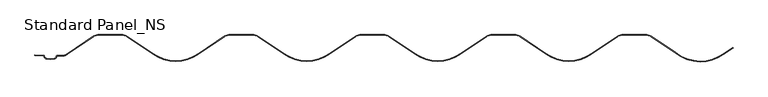
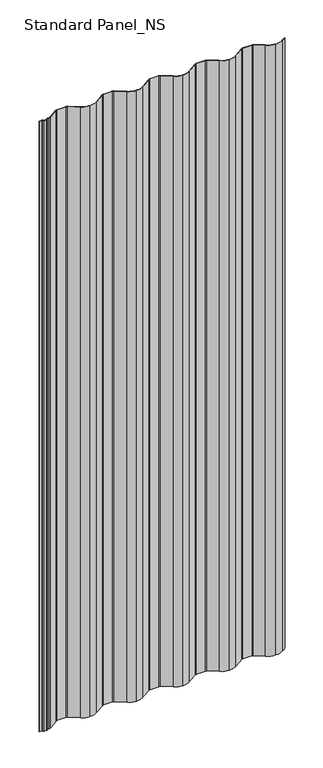
"""IFC4 building model written with IfcOpenShell, lengths in millimetres: proxy geometry, Standard Panel_NS."""

from ifc_helpers import new_model, si_unit, frame, origin, place, context, project, spatial, polyline, circle_curve, source, transform, mapped, element, save
from ifc_brep_helpers import plane_surface, cylinder_surface, revolved_surface, advanced_brep


def standard_panel_ns_b5398130(model_context):
    return source(origin(), model_context, "Body", "AdvancedBrep", [
        advanced_brep(
        [(-486.3485083, -56.731719, 2527.968552), (-482.3079602, -60.8362634, 2527.968552), (-470.4575491, -60.8362654, 2527.968552), (-466.4169884, -56.731573, 2527.968552), (-465.4302124, -55.89444, 2527.968552), (-456.0900423, -55.89444, 2527.968552), (-453.1556854, -55.0462373, 2527.968552), (-449.8033506, -52.7697008, 2527.968552), (-410.2595501, -26.1475865, 2527.968552), (-404.4674259, -24.2994091, 2527.968552), (-365.8692904, -24.2994091, 2527.968552), (-360.0671978, -26.1560295, 2527.968552), (-320.5103641, -52.7860837, 2527.968552), (-285.1677597, -64.3, 2527.968552), (-249.8032035, -52.7700749, 2527.968552), (-210.2596411, -26.1481268, 2527.968552), (-204.4676671, -24.3, 2527.968552), (-165.8678523, -24.3, 2527.968552), (-160.0717673, -26.1510461, 2527.968552), (-120.5323159, -52.7700749, 2527.968552), (-85.1677597, -64.3, 2527.968552), (-49.8032035, -52.7700749, 2527.968552), (-10.2596411, -26.1481268, 2527.968552), (-4.4676671, -24.3, 2527.968552), (34.1321477, -24.3, 2527.968552), (39.9282327, -26.1510461, 2527.968552), (79.4676841, -52.7700749, 2527.968552), (114.8322403, -64.3, 2527.968552), (150.1967965, -52.7700749, 2527.968552), (189.7403589, -26.1481268, 2527.968552), (195.5323329, -24.3, 2527.968552), (234.1321477, -24.3, 2527.968552), (239.9282327, -26.1510461, 2527.968552), (279.4676841, -52.7700749, 2527.968552), (314.8322403, -64.3, 2527.968552), (350.1967965, -52.7700749, 2527.968552), (389.7403589, -26.1481268, 2527.968552), (395.5323329, -24.3, 2527.968552), (434.1321477, -24.3, 2527.968552), (439.9241217, -26.1481268, 2527.968552), (477.2936612, -51.3806179, 2527.968552), (515.2973576, -64.9508962, 2527.968552), (550.6478435, -53.431234, 2527.968552), (565.5384208, -43.7447092, 2527.968552), (565.0958709, -43.0782637, 2527.968552), (550.1967245, -52.7700785, 2527.968552), (515.2973576, -64.1508962, 2527.968552), (477.7645921, -50.7322407, 2527.968552), (440.3874796, -25.4959769, 2527.968552), (434.1321477, -23.5, 2527.968552), (395.5323329, -23.5, 2527.968552), (389.2770009, -25.4959769, 2527.968552), (349.7455676, -52.1089905, 2527.968552), (314.8322403, -63.5, 2527.968552), (279.918913, -52.1089905, 2527.968552), (240.3915864, -25.4988948, 2527.968552), (234.1323472, -23.5, 2527.968552), (195.5323329, -23.5, 2527.968552), (189.2770009, -25.4959769, 2527.968552), (149.7455676, -52.1089905, 2527.968552), (114.8322403, -63.5, 2527.968552), (79.918913, -52.1089905, 2527.968552), (40.3915864, -25.4988948, 2527.968552), (34.1323473, -23.5, 2527.968552), (-4.4676671, -23.5, 2527.968552), (-10.7229991, -25.4959769, 2527.968552), (-50.2544324, -52.1089905, 2527.968552), (-85.1677597, -63.5, 2527.968552), (-120.081087, -52.1089905, 2527.968552), (-159.6084136, -25.4988948, 2527.968552), (-165.8676528, -23.5, 2527.968552), (-204.4676671, -23.5, 2527.968552), (-210.7229991, -25.4959769, 2527.968552), (-250.2544324, -52.1089905, 2527.968552), (-285.1677597, -63.5, 2527.968552), (-320.0592959, -52.1248963, 2527.968552), (-359.6038434, -25.503876, 2527.968552), (-365.8686419, -23.4994091, 2527.968552), (-404.4674259, -23.4994091, 2527.968552), (-410.7229092, -25.4954353, 2527.968552), (-450.2545801, -52.1086168, 2527.968552), (-453.5825162, -54.3696165, 2527.968552), (-456.0900423, -55.09444, 2527.968552), (-465.4302124, -55.09444, 2527.968552), (-467.2062902, -56.6011784, 2527.968552), (-470.5868875, -60.0466486, 2527.968552), (-482.1786224, -60.0466465, 2527.968552), (-485.5592106, -56.6012998, 2527.968552), (-487.3351296, -55.0947436, 2527.968552), (-499.9998793, -54.4964361, 2527.968552), (-499.9998793, -55.2999936, 2527.968552), (-487.3351296, -55.8947438, 2527.968552), (-486.3485083, -56.731719, -250.0), (-487.3351296, -55.8947436, -250.0), (-499.9998793, -55.2999936, -250.0), (-499.9998793, -54.4964361, -250.0), (-487.3351296, -55.0947438, -250.0), (-485.5592106, -56.6012998, -250.0), (-482.1786224, -60.0466465, -250.0), (-470.5868875, -60.0466486, -250.0), (-467.2062902, -56.6011784, -250.0), (-465.4302124, -55.09444, -250.0), (-456.0900423, -55.09444, -250.0), (-453.5825161, -54.3696166, -250.0), (-450.2545801, -52.1086168, -250.0), (-410.7229082, -25.4954367, -250.0), (-404.4674259, -23.4994091, -250.0), (-365.8686419, -23.4994091, -250.0), (-359.6038439, -25.5038768, -250.0), (-320.0592959, -52.1248963, -250.0), (-285.1677597, -63.5, -250.0), (-250.2544324, -52.1089905, -250.0), (-210.7229991, -25.4959769, -250.0), (-204.4676671, -23.5, -250.0), (-165.8676528, -23.5, -250.0), (-159.6084129, -25.4988938, -250.0), (-120.081087, -52.1089905, -250.0), (-85.1677597, -63.5, -250.0), (-50.2544324, -52.1089905, -250.0), (-10.7229991, -25.4959769, -250.0), (-4.4676671, -23.5, -250.0), (34.1323473, -23.5, -250.0), (40.3915871, -25.4988938, -250.0), (79.918913, -52.1089905, -250.0), (114.8322403, -63.5, -250.0), (149.7455676, -52.1089905, -250.0), (189.2770009, -25.4959769, -250.0), (195.5323329, -23.5, -250.0), (234.1323472, -23.5, -250.0), (240.3915871, -25.4988938, -250.0), (279.918913, -52.1089905, -250.0), (314.8322403, -63.5, -250.0), (349.7455676, -52.1089905, -250.0), (389.2770009, -25.4959769, -250.0), (395.5323329, -23.5, -250.0), (434.1321477, -23.5, -250.0), (440.3874796, -25.4959769, -250.0), (477.7645921, -50.7322407, -250.0), (515.2973576, -64.1508962, -250.0), (550.1967245, -52.7700785, -250.0), (565.0958709, -43.0782637, -250.0), (565.5384208, -43.7447092, -250.0), (550.6478435, -53.431234, -250.0), (515.2973576, -64.9508962, -250.0), (477.2936612, -51.3806179, -250.0), (439.9241217, -26.1481268, -250.0), (434.1321477, -24.3, -250.0), (395.5323329, -24.3, -250.0), (389.7403589, -26.1481268, -250.0), (350.1967965, -52.7700749, -250.0), (314.8322403, -64.3, -250.0), (279.4676841, -52.7700749, -250.0), (239.9282319, -26.1510471, -250.0), (234.1321477, -24.3, -250.0), (195.5323329, -24.3, -250.0), (189.7403589, -26.1481268, -250.0), (150.1967965, -52.7700749, -250.0), (114.8322403, -64.3, -250.0), (79.4676841, -52.7700749, -250.0), (39.9282319, -26.1510471, -250.0), (34.1321477, -24.3, -250.0), (-4.4676671, -24.3, -250.0), (-10.2596411, -26.1481268, -250.0), (-49.8032035, -52.7700749, -250.0), (-85.1677597, -64.3, -250.0), (-120.5323159, -52.7700749, -250.0), (-160.0717681, -26.1510471, -250.0), (-165.8678523, -24.3, -250.0), (-204.4676671, -24.3, -250.0), (-210.2596411, -26.1481268, -250.0), (-249.8032035, -52.7700749, -250.0), (-285.1677597, -64.3, -250.0), (-320.5103641, -52.7860837, -250.0), (-360.0671973, -26.1560287, -250.0), (-365.8692904, -24.2994091, -250.0), (-404.4674259, -24.2994091, -250.0), (-410.2595511, -26.147585, -250.0), (-449.8033506, -52.7697008, -250.0), (-453.1556854, -55.0462372, -250.0), (-456.0900423, -55.89444, -250.0), (-465.4302124, -55.89444, -250.0), (-466.4169884, -56.731573, -250.0), (-470.4575491, -60.8362654, -250.0), (-482.3079602, -60.8362634, -250.0)],
        [
            (0, 1, circle_curve(frame((-481.4154327, -55.9166048, 2527.968552), z_axis=(0.0, 0.0, 1.0), x_axis=(1.0, 0.0, 0.0)), 4.9999646)),
            (1, 2, circle_curve(frame((-476.3827477, -19.9354014, 2527.968552), z_axis=(0.0, 0.0, 1.0), x_axis=(1.0, 0.0, 0.0)), 41.3278194)),
            (2, 3, circle_curve(frame((-471.3500849, -55.9166129, 2527.968552), z_axis=(0.0, 0.0, 1.0), x_axis=(1.0, 0.0, 0.0)), 4.9999601)),
            (3, 4, circle_curve(frame((-465.4302124, -56.8945909, 2527.968552), z_axis=(0.0, 0.0, -1.0), x_axis=(1.0, 0.0, 0.0)), 1.0001509)),
            (4, 5),
            (5, 6, circle_curve(frame((-456.0900423, -50.3946355, 2527.968552), z_axis=(0.0, 0.0, 1.0), x_axis=(1.0, 0.0, 0.0)), 5.4998045)),
            (6, 7, circle_curve(frame((-485.1678875, -4.2998482, 2527.968552), z_axis=(0.0, 0.0, 1.0), x_axis=(1.0, 0.0, 0.0)), 59.999809)),
            (7, 8, circle_curve(frame((-957.9133952, 744.6435529, 2527.968552), z_axis=(0.0, 0.0, 1.0), x_axis=(1.0, 0.0, 0.0)), 945.5388488)),
            (8, 9, circle_curve(frame((-404.4674259, -34.2996665, 2527.968552), z_axis=(0.0, 0.0, -1.0), x_axis=(1.0, 0.0, 0.0)), 10.0002574)),
            (9, 10),
            (10, 11, circle_curve(frame((-365.8858957, -34.3456225, 2527.968552), z_axis=(0.0, 0.0, -1.0), x_axis=(1.0, 0.0, 0.0)), 10.0462271)),
            (11, 12, circle_curve(frame((187.5821921, 744.6393788, 2527.968552), z_axis=(0.0, 0.0, 1.0), x_axis=(1.0, 0.0, 0.0)), 945.5397474)),
            (12, 13, circle_curve(frame((-285.1677597, -4.3, 2527.968552), z_axis=(0.0, 0.0, 1.0), x_axis=(1.0, 0.0, 0.0)), 60.0)),
            (13, 14, circle_curve(frame((-285.1677597, -4.3, 2527.968552), z_axis=(0.0, 0.0, 1.0), x_axis=(1.0, 0.0, 0.0)), 60.0)),
            (14, 15, circle_curve(frame((-757.9133965, 744.6433117, 2527.968552), z_axis=(0.0, 0.0, 1.0), x_axis=(1.0, 0.0, 0.0)), 945.5390407)),
            (15, 16, circle_curve(frame((-204.4676671, -34.3, 2527.968552), z_axis=(0.0, 0.0, -1.0), x_axis=(1.0, 0.0, 0.0)), 10.0)),
            (16, 17),
            (17, 18, circle_curve(frame((-165.8729478, -34.3159692, 2527.968552), z_axis=(0.0, 0.0, -1.0), x_axis=(1.0, 0.0, 0.0)), 10.0159704)),
            (18, 19, circle_curve(frame((387.5778771, 744.6433117, 2527.968552), z_axis=(0.0, 0.0, 1.0), x_axis=(1.0, 0.0, 0.0)), 945.5390407)),
            (19, 20, circle_curve(frame((-85.1677597, -4.3, 2527.968552), z_axis=(0.0, 0.0, 1.0), x_axis=(1.0, 0.0, 0.0)), 60.0)),
            (20, 21, circle_curve(frame((-85.1677597, -4.3, 2527.968552), z_axis=(0.0, 0.0, 1.0), x_axis=(1.0, 0.0, 0.0)), 60.0)),
            (21, 22, circle_curve(frame((-557.9133965, 744.6433117, 2527.968552), z_axis=(0.0, 0.0, 1.0), x_axis=(1.0, 0.0, 0.0)), 945.5390407)),
            (22, 23, circle_curve(frame((-4.4676671, -34.3, 2527.968552), z_axis=(0.0, 0.0, -1.0), x_axis=(1.0, 0.0, 0.0)), 10.0)),
            (23, 24),
            (24, 25, circle_curve(frame((34.1270522, -34.3159692, 2527.968552), z_axis=(0.0, 0.0, -1.0), x_axis=(1.0, 0.0, 0.0)), 10.0159704)),
            (25, 26, circle_curve(frame((587.5778771, 744.6433117, 2527.968552), z_axis=(0.0, 0.0, 1.0), x_axis=(1.0, 0.0, 0.0)), 945.5390407)),
            (26, 27, circle_curve(frame((114.8322403, -4.3, 2527.968552), z_axis=(0.0, 0.0, 1.0), x_axis=(1.0, 0.0, 0.0)), 60.0)),
            (27, 28, circle_curve(frame((114.8322403, -4.3, 2527.968552), z_axis=(0.0, 0.0, 1.0), x_axis=(1.0, 0.0, 0.0)), 60.0)),
            (28, 29, circle_curve(frame((-357.9133965, 744.6433117, 2527.968552), z_axis=(0.0, 0.0, 1.0), x_axis=(1.0, 0.0, 0.0)), 945.5390407)),
            (29, 30, circle_curve(frame((195.5323329, -34.3, 2527.968552), z_axis=(0.0, 0.0, -1.0), x_axis=(1.0, 0.0, 0.0)), 10.0)),
            (30, 31),
            (31, 32, circle_curve(frame((234.1270522, -34.3159692, 2527.968552), z_axis=(0.0, 0.0, -1.0), x_axis=(1.0, 0.0, 0.0)), 10.0159704)),
            (32, 33, circle_curve(frame((787.5778771, 744.6433117, 2527.968552), z_axis=(0.0, 0.0, 1.0), x_axis=(1.0, 0.0, 0.0)), 945.5390407)),
            (33, 34, circle_curve(frame((314.8322403, -4.3, 2527.968552), z_axis=(0.0, 0.0, 1.0), x_axis=(1.0, 0.0, 0.0)), 60.0)),
            (34, 35, circle_curve(frame((314.8322403, -4.3, 2527.968552), z_axis=(0.0, 0.0, 1.0), x_axis=(1.0, 0.0, 0.0)), 60.0)),
            (35, 36, circle_curve(frame((-157.9133965, 744.6433117, 2527.968552), z_axis=(0.0, 0.0, 1.0), x_axis=(1.0, 0.0, 0.0)), 945.5390407)),
            (36, 37, circle_curve(frame((395.5323329, -34.3, 2527.968552), z_axis=(0.0, 0.0, -1.0), x_axis=(1.0, 0.0, 0.0)), 10.0)),
            (37, 38),
            (38, 39, circle_curve(frame((434.1321477, -34.3, 2527.968552), z_axis=(0.0, 0.0, -1.0), x_axis=(1.0, 0.0, 0.0)), 10.0)),
            (39, 40, circle_curve(frame((987.5778771, 744.6433117, 2527.968552), z_axis=(0.0, 0.0, 1.0), x_axis=(1.0, 0.0, 0.0)), 945.5390407)),
            (40, 41, circle_curve(frame((515.2973576, -4.9508962, 2527.968552), z_axis=(0.0, 0.0, 1.0), x_axis=(1.0, 0.0, 0.0)), 60.0)),
            (41, 42, circle_curve(frame((515.2973576, -4.9508962, 2527.968552), z_axis=(0.0, 0.0, 1.0), x_axis=(1.0, 0.0, 0.0)), 60.0)),
            (42, 43, circle_curve(frame((45.5507572, 739.3160553, 2527.968552), z_axis=(0.0, 0.0, 1.0), x_axis=(1.0, 0.0, 0.0)), 939.9847505)),
            (43, 44),
            (44, 45, circle_curve(frame((45.5507572, 739.3160553, 2527.968552), z_axis=(0.0, 0.0, -1.0), x_axis=(1.0, 0.0, 0.0)), 939.1847505)),
            (45, 46, circle_curve(frame((515.2973576, -4.9508962, 2527.968552), z_axis=(0.0, 0.0, -1.0), x_axis=(1.0, 0.0, 0.0)), 59.2)),
            (46, 47, circle_curve(frame((515.2973576, -4.9508962, 2527.968552), z_axis=(0.0, 0.0, -1.0), x_axis=(1.0, 0.0, 0.0)), 59.2)),
            (47, 48, circle_curve(frame((987.5778771, 744.6433117, 2527.968552), z_axis=(0.0, 0.0, -1.0), x_axis=(1.0, 0.0, 0.0)), 944.7390407)),
            (48, 49, circle_curve(frame((434.1321477, -34.3, 2527.968552), z_axis=(0.0, 0.0, 1.0), x_axis=(1.0, 0.0, 0.0)), 10.8)),
            (49, 50),
            (50, 51, circle_curve(frame((395.5323329, -34.3, 2527.968552), z_axis=(0.0, 0.0, 1.0), x_axis=(1.0, 0.0, 0.0)), 10.8)),
            (51, 52, circle_curve(frame((-157.9133965, 744.6433117, 2527.968552), z_axis=(0.0, 0.0, -1.0), x_axis=(1.0, 0.0, 0.0)), 944.7390407)),
            (52, 53, circle_curve(frame((314.8322403, -4.3, 2527.968552), z_axis=(0.0, 0.0, -1.0), x_axis=(1.0, 0.0, 0.0)), 59.2)),
            (53, 54, circle_curve(frame((314.8322403, -4.3, 2527.968552), z_axis=(0.0, 0.0, -1.0), x_axis=(1.0, 0.0, 0.0)), 59.2)),
            (54, 55, circle_curve(frame((787.5778771, 744.6433117, 2527.968552), z_axis=(0.0, 0.0, -1.0), x_axis=(1.0, 0.0, 0.0)), 944.7390407)),
            (55, 56, circle_curve(frame((234.1270522, -34.3159692, 2527.968552), z_axis=(0.0, 0.0, 1.0), x_axis=(1.0, 0.0, 0.0)), 10.8159704)),
            (56, 57),
            (57, 58, circle_curve(frame((195.5323329, -34.3, 2527.968552), z_axis=(0.0, 0.0, 1.0), x_axis=(1.0, 0.0, 0.0)), 10.8)),
            (58, 59, circle_curve(frame((-357.9133965, 744.6433117, 2527.968552), z_axis=(0.0, 0.0, -1.0), x_axis=(1.0, 0.0, 0.0)), 944.7390407)),
            (59, 60, circle_curve(frame((114.8322403, -4.3, 2527.968552), z_axis=(0.0, 0.0, -1.0), x_axis=(1.0, 0.0, 0.0)), 59.2)),
            (60, 61, circle_curve(frame((114.8322403, -4.3, 2527.968552), z_axis=(0.0, 0.0, -1.0), x_axis=(1.0, 0.0, 0.0)), 59.2)),
            (61, 62, circle_curve(frame((587.5778771, 744.6433117, 2527.968552), z_axis=(0.0, 0.0, -1.0), x_axis=(1.0, 0.0, 0.0)), 944.7390407)),
            (62, 63, circle_curve(frame((34.1270522, -34.3159692, 2527.968552), z_axis=(0.0, 0.0, 1.0), x_axis=(1.0, 0.0, 0.0)), 10.8159704)),
            (63, 64),
            (64, 65, circle_curve(frame((-4.4676671, -34.3, 2527.968552), z_axis=(0.0, 0.0, 1.0), x_axis=(1.0, 0.0, 0.0)), 10.8)),
            (65, 66, circle_curve(frame((-557.9133965, 744.6433117, 2527.968552), z_axis=(0.0, 0.0, -1.0), x_axis=(1.0, 0.0, 0.0)), 944.7390407)),
            (66, 67, circle_curve(frame((-85.1677597, -4.3, 2527.968552), z_axis=(0.0, 0.0, -1.0), x_axis=(1.0, 0.0, 0.0)), 59.2)),
            (67, 68, circle_curve(frame((-85.1677597, -4.3, 2527.968552), z_axis=(0.0, 0.0, -1.0), x_axis=(1.0, 0.0, 0.0)), 59.2)),
            (68, 69, circle_curve(frame((387.5778771, 744.6433117, 2527.968552), z_axis=(0.0, 0.0, -1.0), x_axis=(1.0, 0.0, 0.0)), 944.7390407)),
            (69, 70, circle_curve(frame((-165.8729478, -34.3159692, 2527.968552), z_axis=(0.0, 0.0, 1.0), x_axis=(1.0, 0.0, 0.0)), 10.8159704)),
            (70, 71),
            (71, 72, circle_curve(frame((-204.4676671, -34.3, 2527.968552), z_axis=(0.0, 0.0, 1.0), x_axis=(1.0, 0.0, 0.0)), 10.8)),
            (72, 73, circle_curve(frame((-757.9133965, 744.6433117, 2527.968552), z_axis=(0.0, 0.0, -1.0), x_axis=(1.0, 0.0, 0.0)), 944.7390407)),
            (73, 74, circle_curve(frame((-285.1677597, -4.3, 2527.968552), z_axis=(0.0, 0.0, -1.0), x_axis=(1.0, 0.0, 0.0)), 59.2)),
            (74, 75, circle_curve(frame((-285.1677597, -4.3, 2527.968552), z_axis=(0.0, 0.0, -1.0), x_axis=(1.0, 0.0, 0.0)), 59.2)),
            (75, 76, circle_curve(frame((187.5821921, 744.6393788, 2527.968552), z_axis=(0.0, 0.0, -1.0), x_axis=(1.0, 0.0, 0.0)), 944.7397474)),
            (76, 77, circle_curve(frame((-365.8858957, -34.3456225, 2527.968552), z_axis=(0.0, 0.0, 1.0), x_axis=(1.0, 0.0, 0.0)), 10.8462271)),
            (77, 78),
            (78, 79, circle_curve(frame((-404.4674259, -34.2996665, 2527.968552), z_axis=(0.0, 0.0, 1.0), x_axis=(1.0, 0.0, 0.0)), 10.8002574)),
            (79, 80, circle_curve(frame((-957.9133952, 744.6435529, 2527.968552), z_axis=(0.0, 0.0, -1.0), x_axis=(1.0, 0.0, 0.0)), 944.7388488)),
            (80, 81, circle_curve(frame((-485.1678875, -4.2998482, 2527.968552), z_axis=(0.0, 0.0, -1.0), x_axis=(1.0, 0.0, 0.0)), 59.199809)),
            (81, 82, circle_curve(frame((-456.0900423, -50.3946355, 2527.968552), z_axis=(0.0, 0.0, -1.0), x_axis=(1.0, 0.0, 0.0)), 4.6998045)),
            (82, 83),
            (83, 84, circle_curve(frame((-465.4302124, -56.8945909, 2527.968552), z_axis=(0.0, 0.0, 1.0), x_axis=(1.0, 0.0, 0.0)), 1.8001509)),
            (84, 85, circle_curve(frame((-471.3500849, -55.9166129, 2527.968552), z_axis=(0.0, 0.0, -1.0), x_axis=(1.0, 0.0, 0.0)), 4.1999601)),
            (85, 86, circle_curve(frame((-476.3827477, -19.9354014, 2527.968552), z_axis=(0.0, 0.0, -1.0), x_axis=(1.0, 0.0, 0.0)), 40.5278194)),
            (86, 87, circle_curve(frame((-481.4154327, -55.9166048, 2527.968552), z_axis=(0.0, 0.0, -1.0), x_axis=(1.0, 0.0, 0.0)), 4.1999646)),
            (87, 88, circle_curve(frame((-487.3351296, -56.8947428, 2527.968552), z_axis=(0.0, 0.0, 1.0), x_axis=(1.0, 0.0, 0.0)), 1.7999992)),
            (88, 89, circle_curve(frame((-487.3351296, 79.2457036, 2527.968552), z_axis=(0.0, 0.0, -1.0), x_axis=(1.0, 0.0, 0.0)), 134.3404474)),
            (89, 90),
            (90, 91, circle_curve(frame((-487.3351296, 79.2457036, 2527.968552), z_axis=(0.0, 0.0, 1.0), x_axis=(1.0, 0.0, 0.0)), 135.1404474)),
            (91, 0, circle_curve(frame((-487.3351296, -56.8947428, 2527.968552), z_axis=(0.0, 0.0, -1.0), x_axis=(1.0, 0.0, 0.0)), 0.9999992)),
            (92, 93, circle_curve(frame((-487.3351296, -56.8947428, -250.0), z_axis=(0.0, 0.0, 1.0), x_axis=(1.0, 0.0, 0.0)), 0.9999992)),
            (93, 94, circle_curve(frame((-487.3351296, 79.2457036, -250.0), z_axis=(0.0, 0.0, -1.0), x_axis=(1.0, 0.0, 0.0)), 135.1404474)),
            (94, 95),
            (95, 96, circle_curve(frame((-487.3351296, 79.2457036, -250.0), z_axis=(0.0, 0.0, 1.0), x_axis=(1.0, 0.0, 0.0)), 134.3404474)),
            (96, 97, circle_curve(frame((-487.3351296, -56.8947428, -250.0), z_axis=(0.0, 0.0, -1.0), x_axis=(1.0, 0.0, 0.0)), 1.7999992)),
            (97, 98, circle_curve(frame((-481.4154327, -55.9166048, -250.0), z_axis=(0.0, 0.0, 1.0), x_axis=(1.0, 0.0, 0.0)), 4.1999646)),
            (98, 99, circle_curve(frame((-476.3827477, -19.9354014, -250.0), z_axis=(0.0, 0.0, 1.0), x_axis=(1.0, 0.0, 0.0)), 40.5278194)),
            (99, 100, circle_curve(frame((-471.3500849, -55.9166129, -250.0), z_axis=(0.0, 0.0, 1.0), x_axis=(1.0, 0.0, 0.0)), 4.1999601)),
            (100, 101, circle_curve(frame((-465.4302124, -56.8945909, -250.0), z_axis=(0.0, 0.0, -1.0), x_axis=(1.0, 0.0, 0.0)), 1.8001509)),
            (101, 102),
            (102, 103, circle_curve(frame((-456.0900423, -50.3946355, -250.0), z_axis=(0.0, 0.0, 1.0), x_axis=(1.0, 0.0, 0.0)), 4.6998045)),
            (103, 104, circle_curve(frame((-485.1678875, -4.2998482, -250.0), z_axis=(0.0, 0.0, 1.0), x_axis=(1.0, 0.0, 0.0)), 59.199809)),
            (104, 105, circle_curve(frame((-957.9133952, 744.6435529, -250.0), z_axis=(0.0, 0.0, 1.0), x_axis=(1.0, 0.0, 0.0)), 944.7388488)),
            (105, 106, circle_curve(frame((-404.4674259, -34.2996665, -250.0), z_axis=(0.0, 0.0, -1.0), x_axis=(1.0, 0.0, 0.0)), 10.8002574)),
            (106, 107),
            (107, 108, circle_curve(frame((-365.8858957, -34.3456225, -250.0), z_axis=(0.0, 0.0, -1.0), x_axis=(1.0, 0.0, 0.0)), 10.8462271)),
            (108, 109, circle_curve(frame((187.5821921, 744.6393788, -250.0), z_axis=(0.0, 0.0, 1.0), x_axis=(1.0, 0.0, 0.0)), 944.7397474)),
            (109, 110, circle_curve(frame((-285.1677597, -4.3, -250.0), z_axis=(0.0, 0.0, 1.0), x_axis=(1.0, 0.0, 0.0)), 59.2)),
            (110, 111, circle_curve(frame((-285.1677597, -4.3, -250.0), z_axis=(0.0, 0.0, 1.0), x_axis=(1.0, 0.0, 0.0)), 59.2)),
            (111, 112, circle_curve(frame((-757.9133965, 744.6433117, -250.0), z_axis=(0.0, 0.0, 1.0), x_axis=(1.0, 0.0, 0.0)), 944.7390407)),
            (112, 113, circle_curve(frame((-204.4676671, -34.3, -250.0), z_axis=(0.0, 0.0, -1.0), x_axis=(1.0, 0.0, 0.0)), 10.8)),
            (113, 114),
            (114, 115, circle_curve(frame((-165.8729478, -34.3159692, -250.0), z_axis=(0.0, 0.0, -1.0), x_axis=(1.0, 0.0, 0.0)), 10.8159704)),
            (115, 116, circle_curve(frame((387.5778771, 744.6433117, -250.0), z_axis=(0.0, 0.0, 1.0), x_axis=(1.0, 0.0, 0.0)), 944.7390407)),
            (116, 117, circle_curve(frame((-85.1677597, -4.3, -250.0), z_axis=(0.0, 0.0, 1.0), x_axis=(1.0, 0.0, 0.0)), 59.2)),
            (117, 118, circle_curve(frame((-85.1677597, -4.3, -250.0), z_axis=(0.0, 0.0, 1.0), x_axis=(1.0, 0.0, 0.0)), 59.2)),
            (118, 119, circle_curve(frame((-557.9133965, 744.6433117, -250.0), z_axis=(0.0, 0.0, 1.0), x_axis=(1.0, 0.0, 0.0)), 944.7390407)),
            (119, 120, circle_curve(frame((-4.4676671, -34.3, -250.0), z_axis=(0.0, 0.0, -1.0), x_axis=(1.0, 0.0, 0.0)), 10.8)),
            (120, 121),
            (121, 122, circle_curve(frame((34.1270522, -34.3159692, -250.0), z_axis=(0.0, 0.0, -1.0), x_axis=(1.0, 0.0, 0.0)), 10.8159704)),
            (122, 123, circle_curve(frame((587.5778771, 744.6433117, -250.0), z_axis=(0.0, 0.0, 1.0), x_axis=(1.0, 0.0, 0.0)), 944.7390407)),
            (123, 124, circle_curve(frame((114.8322403, -4.3, -250.0), z_axis=(0.0, 0.0, 1.0), x_axis=(1.0, 0.0, 0.0)), 59.2)),
            (124, 125, circle_curve(frame((114.8322403, -4.3, -250.0), z_axis=(0.0, 0.0, 1.0), x_axis=(1.0, 0.0, 0.0)), 59.2)),
            (125, 126, circle_curve(frame((-357.9133965, 744.6433117, -250.0), z_axis=(0.0, 0.0, 1.0), x_axis=(1.0, 0.0, 0.0)), 944.7390407)),
            (126, 127, circle_curve(frame((195.5323329, -34.3, -250.0), z_axis=(0.0, 0.0, -1.0), x_axis=(1.0, 0.0, 0.0)), 10.8)),
            (127, 128),
            (128, 129, circle_curve(frame((234.1270522, -34.3159692, -250.0), z_axis=(0.0, 0.0, -1.0), x_axis=(1.0, 0.0, 0.0)), 10.8159704)),
            (129, 130, circle_curve(frame((787.5778771, 744.6433117, -250.0), z_axis=(0.0, 0.0, 1.0), x_axis=(1.0, 0.0, 0.0)), 944.7390407)),
            (130, 131, circle_curve(frame((314.8322403, -4.3, -250.0), z_axis=(0.0, 0.0, 1.0), x_axis=(1.0, 0.0, 0.0)), 59.2)),
            (131, 132, circle_curve(frame((314.8322403, -4.3, -250.0), z_axis=(0.0, 0.0, 1.0), x_axis=(1.0, 0.0, 0.0)), 59.2)),
            (132, 133, circle_curve(frame((-157.9133965, 744.6433117, -250.0), z_axis=(0.0, 0.0, 1.0), x_axis=(1.0, 0.0, 0.0)), 944.7390407)),
            (133, 134, circle_curve(frame((395.5323329, -34.3, -250.0), z_axis=(0.0, 0.0, -1.0), x_axis=(1.0, 0.0, 0.0)), 10.8)),
            (134, 135),
            (135, 136, circle_curve(frame((434.1321477, -34.3, -250.0), z_axis=(0.0, 0.0, -1.0), x_axis=(1.0, 0.0, 0.0)), 10.8)),
            (136, 137, circle_curve(frame((987.5778771, 744.6433117, -250.0), z_axis=(0.0, 0.0, 1.0), x_axis=(1.0, 0.0, 0.0)), 944.7390407)),
            (137, 138, circle_curve(frame((515.2973576, -4.9508962, -250.0), z_axis=(0.0, 0.0, 1.0), x_axis=(1.0, 0.0, 0.0)), 59.2)),
            (138, 139, circle_curve(frame((515.2973576, -4.9508962, -250.0), z_axis=(0.0, 0.0, 1.0), x_axis=(1.0, 0.0, 0.0)), 59.2)),
            (139, 140, circle_curve(frame((45.5507572, 739.3160553, -250.0), z_axis=(0.0, 0.0, 1.0), x_axis=(1.0, 0.0, 0.0)), 939.1847505)),
            (140, 141),
            (141, 142, circle_curve(frame((45.5507572, 739.3160553, -250.0), z_axis=(0.0, 0.0, -1.0), x_axis=(1.0, 0.0, 0.0)), 939.9847505)),
            (142, 143, circle_curve(frame((515.2973576, -4.9508962, -250.0), z_axis=(0.0, 0.0, -1.0), x_axis=(1.0, 0.0, 0.0)), 60.0)),
            (143, 144, circle_curve(frame((515.2973576, -4.9508962, -250.0), z_axis=(0.0, 0.0, -1.0), x_axis=(1.0, 0.0, 0.0)), 60.0)),
            (144, 145, circle_curve(frame((987.5778771, 744.6433117, -250.0), z_axis=(0.0, 0.0, -1.0), x_axis=(1.0, 0.0, 0.0)), 945.5390407)),
            (145, 146, circle_curve(frame((434.1321477, -34.3, -250.0), z_axis=(0.0, 0.0, 1.0), x_axis=(1.0, 0.0, 0.0)), 10.0)),
            (146, 147),
            (147, 148, circle_curve(frame((395.5323329, -34.3, -250.0), z_axis=(0.0, 0.0, 1.0), x_axis=(1.0, 0.0, 0.0)), 10.0)),
            (148, 149, circle_curve(frame((-157.9133965, 744.6433117, -250.0), z_axis=(0.0, 0.0, -1.0), x_axis=(1.0, 0.0, 0.0)), 945.5390407)),
            (149, 150, circle_curve(frame((314.8322403, -4.3, -250.0), z_axis=(0.0, 0.0, -1.0), x_axis=(1.0, 0.0, 0.0)), 60.0)),
            (150, 151, circle_curve(frame((314.8322403, -4.3, -250.0), z_axis=(0.0, 0.0, -1.0), x_axis=(1.0, 0.0, 0.0)), 60.0)),
            (151, 152, circle_curve(frame((787.5778771, 744.6433117, -250.0), z_axis=(0.0, 0.0, -1.0), x_axis=(1.0, 0.0, 0.0)), 945.5390407)),
            (152, 153, circle_curve(frame((234.1270522, -34.3159692, -250.0), z_axis=(0.0, 0.0, 1.0), x_axis=(1.0, 0.0, 0.0)), 10.0159704)),
            (153, 154),
            (154, 155, circle_curve(frame((195.5323329, -34.3, -250.0), z_axis=(0.0, 0.0, 1.0), x_axis=(1.0, 0.0, 0.0)), 10.0)),
            (155, 156, circle_curve(frame((-357.9133965, 744.6433117, -250.0), z_axis=(0.0, 0.0, -1.0), x_axis=(1.0, 0.0, 0.0)), 945.5390407)),
            (156, 157, circle_curve(frame((114.8322403, -4.3, -250.0), z_axis=(0.0, 0.0, -1.0), x_axis=(1.0, 0.0, 0.0)), 60.0)),
            (157, 158, circle_curve(frame((114.8322403, -4.3, -250.0), z_axis=(0.0, 0.0, -1.0), x_axis=(1.0, 0.0, 0.0)), 60.0)),
            (158, 159, circle_curve(frame((587.5778771, 744.6433117, -250.0), z_axis=(0.0, 0.0, -1.0), x_axis=(1.0, 0.0, 0.0)), 945.5390407)),
            (159, 160, circle_curve(frame((34.1270522, -34.3159692, -250.0), z_axis=(0.0, 0.0, 1.0), x_axis=(1.0, 0.0, 0.0)), 10.0159704)),
            (160, 161),
            (161, 162, circle_curve(frame((-4.4676671, -34.3, -250.0), z_axis=(0.0, 0.0, 1.0), x_axis=(1.0, 0.0, 0.0)), 10.0)),
            (162, 163, circle_curve(frame((-557.9133965, 744.6433117, -250.0), z_axis=(0.0, 0.0, -1.0), x_axis=(1.0, 0.0, 0.0)), 945.5390407)),
            (163, 164, circle_curve(frame((-85.1677597, -4.3, -250.0), z_axis=(0.0, 0.0, -1.0), x_axis=(1.0, 0.0, 0.0)), 60.0)),
            (164, 165, circle_curve(frame((-85.1677597, -4.3, -250.0), z_axis=(0.0, 0.0, -1.0), x_axis=(1.0, 0.0, 0.0)), 60.0)),
            (165, 166, circle_curve(frame((387.5778771, 744.6433117, -250.0), z_axis=(0.0, 0.0, -1.0), x_axis=(1.0, 0.0, 0.0)), 945.5390407)),
            (166, 167, circle_curve(frame((-165.8729478, -34.3159692, -250.0), z_axis=(0.0, 0.0, 1.0), x_axis=(1.0, 0.0, 0.0)), 10.0159704)),
            (167, 168),
            (168, 169, circle_curve(frame((-204.4676671, -34.3, -250.0), z_axis=(0.0, 0.0, 1.0), x_axis=(1.0, 0.0, 0.0)), 10.0)),
            (169, 170, circle_curve(frame((-757.9133965, 744.6433117, -250.0), z_axis=(0.0, 0.0, -1.0), x_axis=(1.0, 0.0, 0.0)), 945.5390407)),
            (170, 171, circle_curve(frame((-285.1677597, -4.3, -250.0), z_axis=(0.0, 0.0, -1.0), x_axis=(1.0, 0.0, 0.0)), 60.0)),
            (171, 172, circle_curve(frame((-285.1677597, -4.3, -250.0), z_axis=(0.0, 0.0, -1.0), x_axis=(1.0, 0.0, 0.0)), 60.0)),
            (172, 173, circle_curve(frame((187.5821921, 744.6393788, -250.0), z_axis=(0.0, 0.0, -1.0), x_axis=(1.0, 0.0, 0.0)), 945.5397474)),
            (173, 174, circle_curve(frame((-365.8858957, -34.3456225, -250.0), z_axis=(0.0, 0.0, 1.0), x_axis=(1.0, 0.0, 0.0)), 10.0462271)),
            (174, 175),
            (175, 176, circle_curve(frame((-404.4674259, -34.2996665, -250.0), z_axis=(0.0, 0.0, 1.0), x_axis=(1.0, 0.0, 0.0)), 10.0002574)),
            (176, 177, circle_curve(frame((-957.9133952, 744.6435529, -250.0), z_axis=(0.0, 0.0, -1.0), x_axis=(1.0, 0.0, 0.0)), 945.5388488)),
            (177, 178, circle_curve(frame((-485.1678875, -4.2998482, -250.0), z_axis=(0.0, 0.0, -1.0), x_axis=(1.0, 0.0, 0.0)), 59.999809)),
            (178, 179, circle_curve(frame((-456.0900423, -50.3946355, -250.0), z_axis=(0.0, 0.0, -1.0), x_axis=(1.0, 0.0, 0.0)), 5.4998045)),
            (179, 180),
            (180, 181, circle_curve(frame((-465.4302124, -56.8945909, -250.0), z_axis=(0.0, 0.0, 1.0), x_axis=(1.0, 0.0, 0.0)), 1.0001509)),
            (181, 182, circle_curve(frame((-471.3500849, -55.9166129, -250.0), z_axis=(0.0, 0.0, -1.0), x_axis=(1.0, 0.0, 0.0)), 4.9999601)),
            (182, 183, circle_curve(frame((-476.3827477, -19.9354014, -250.0), z_axis=(0.0, 0.0, -1.0), x_axis=(1.0, 0.0, 0.0)), 41.3278194)),
            (183, 92, circle_curve(frame((-481.4154327, -55.9166048, -250.0), z_axis=(0.0, 0.0, -1.0), x_axis=(1.0, 0.0, 0.0)), 4.9999646)),
            (91, 93),
            (92, 0),
            (90, 94),
            (89, 95),
            (88, 96),
            (87, 97),
            (86, 98),
            (85, 99),
            (84, 100),
            (83, 101),
            (82, 102),
            (81, 103),
            (80, 104),
            (79, 105),
            (78, 106),
            (77, 107),
            (76, 108),
            (75, 109),
            (74, 110),
            (73, 111),
            (72, 112),
            (71, 113),
            (70, 114),
            (69, 115),
            (68, 116),
            (67, 117),
            (66, 118),
            (65, 119),
            (64, 120),
            (63, 121),
            (62, 122),
            (61, 123),
            (60, 124),
            (59, 125),
            (58, 126),
            (57, 127),
            (56, 128),
            (55, 129),
            (54, 130),
            (53, 131),
            (52, 132),
            (51, 133),
            (50, 134),
            (49, 135),
            (37, 147),
            (146, 38),
            (36, 148),
            (35, 149),
            (34, 150),
            (33, 151),
            (32, 152),
            (31, 153),
            (30, 154),
            (29, 155),
            (28, 156),
            (27, 157),
            (26, 158),
            (25, 159),
            (24, 160),
            (23, 161),
            (22, 162),
            (21, 163),
            (20, 164),
            (19, 165),
            (18, 166),
            (17, 167),
            (16, 168),
            (15, 169),
            (14, 170),
            (13, 171),
            (12, 172),
            (11, 173),
            (10, 174),
            (9, 175),
            (8, 176),
            (7, 177),
            (6, 178),
            (5, 179),
            (4, 180),
            (3, 181),
            (2, 182),
            (1, 183),
            (48, 136),
            (47, 137),
            (46, 138),
            (45, 139),
            (44, 140),
            (43, 141),
            (42, 142),
            (41, 143),
            (40, 144),
            (39, 145),
        ],
        [
            plane_surface(frame((9.07e-05, -24.3, 2527.968552), z_axis=(0.0, 0.0, 1.0), x_axis=(0.0, -1.0, 0.0))),
            plane_surface(frame((9.07e-05, -24.3, -250.0), z_axis=(0.0, 0.0, -1.0), x_axis=(0.0, -1.0, 0.0))),
            revolved_surface(polyline([(-486.3351304, -56.8947428, -250.0), (-486.3351304, -56.8947428, 2527.968552)]), (-487.3351296, -56.8947428, 2527.968552), (0.0, 0.0, -1.0)),
            cylinder_surface(frame((-487.3351296, 79.2457036, 2527.968552), z_axis=(0.0, 0.0, 1.0), x_axis=(1.0, 0.0, 0.0)), 135.1404474),
            plane_surface(frame((-499.9998793, -55.2999936, 2527.968552), z_axis=(-1.0, 0.0, 0.0), x_axis=(0.0, 0.0, -1.0))),
            revolved_surface(polyline([(-352.99468220000006, 79.2457036, -250.0), (-352.99468220000006, 79.2457036, 2527.968552)]), (-487.3351296, 79.2457036, 2527.968552), (0.0, 0.0, -1.0)),
            cylinder_surface(frame((-487.3351296, -56.8947428, 2527.968552), z_axis=(0.0, 0.0, 1.0), x_axis=(1.0, 0.0, 0.0)), 1.7999992),
            revolved_surface(polyline([(-477.2154681, -55.9166048, -250.0), (-477.2154681, -55.9166048, 2527.968552)]), (-481.4154327, -55.9166048, 2527.968552), (0.0, 0.0, -1.0)),
            revolved_surface(polyline([(-435.8549283, -19.9354014, -250.0), (-435.8549283, -19.9354014, 2527.968552)]), (-476.3827477, -19.9354014, 2527.968552), (0.0, 0.0, -1.0)),
            revolved_surface(polyline([(-467.1501248, -55.9166129, -250.0), (-467.1501248, -55.9166129, 2527.968552)]), (-471.3500849, -55.9166129, 2527.968552), (0.0, 0.0, -1.0)),
            cylinder_surface(frame((-465.4302124, -56.8945909, 2527.968552), z_axis=(0.0, 0.0, 1.0), x_axis=(1.0, 0.0, 0.0)), 1.8001509),
            plane_surface(frame((-465.4302124, -55.09444, 2527.968552), z_axis=(0.0, 1.0, 0.0), x_axis=(0.0, 0.0, -1.0))),
            revolved_surface(polyline([(-451.39023779999997, -50.3946355, -250.0), (-451.39023779999997, -50.3946355, 2527.968552)]), (-456.0900423, -50.3946355, 2527.968552), (0.0, 0.0, -1.0)),
            revolved_surface(polyline([(-425.9680785, -4.2998482, -250.0), (-425.9680785, -4.2998482, 2527.968552)]), (-485.1678875, -4.2998482, 2527.968552), (0.0, 0.0, -1.0)),
            revolved_surface(polyline([(-13.17454639999994, 744.6435529, -250.0), (-13.17454639999994, 744.6435529, 2527.968552)]), (-957.9133952, 744.6435529, 2527.968552), (0.0, 0.0, -1.0)),
            cylinder_surface(frame((-404.4674259, -34.2996665, 2527.968552), z_axis=(0.0, 0.0, 1.0), x_axis=(1.0, 0.0, 0.0)), 10.8002574),
            plane_surface(frame((-404.4674259, -23.4994091, 2527.968552), z_axis=(0.0, 1.0, 0.0), x_axis=(0.0, 0.0, -1.0))),
            cylinder_surface(frame((-365.8858957, -34.3456225, 2527.968552), z_axis=(0.0, 0.0, 1.0), x_axis=(1.0, 0.0, 0.0)), 10.8462271),
            revolved_surface(polyline([(1132.3219395, 744.6393788, -250.0), (1132.3219395, 744.6393788, 2527.968552)]), (187.5821921, 744.6393788, 2527.968552), (0.0, 0.0, -1.0)),
            revolved_surface(polyline([(-225.9677597, -4.3, -250.0), (-225.9677597, -4.3, 2527.968552)]), (-285.1677597, -4.3, 2527.968552), (0.0, 0.0, -1.0)),
            revolved_surface(polyline([(186.82564420000006, 744.6433117, -250.0), (186.82564420000006, 744.6433117, 2527.968552)]), (-757.9133965, 744.6433117, 2527.968552), (0.0, 0.0, -1.0)),
            cylinder_surface(frame((-204.4676671, -34.3, 2527.968552), z_axis=(0.0, 0.0, 1.0), x_axis=(1.0, 0.0, 0.0)), 10.8),
            plane_surface(frame((-204.4676671, -23.5, 2527.968552), z_axis=(0.0, 1.0, 0.0), x_axis=(0.0, 0.0, -1.0))),
            cylinder_surface(frame((-165.8729478, -34.3159692, 2527.968552), z_axis=(0.0, 0.0, 1.0), x_axis=(1.0, 0.0, 0.0)), 10.8159704),
            revolved_surface(polyline([(1332.3169178, 744.6433117, -250.0), (1332.3169178, 744.6433117, 2527.968552)]), (387.5778771, 744.6433117, 2527.968552), (0.0, 0.0, -1.0)),
            revolved_surface(polyline([(-25.967759700000002, -4.3, -250.0), (-25.967759700000002, -4.3, 2527.968552)]), (-85.1677597, -4.3, 2527.968552), (0.0, 0.0, -1.0)),
            revolved_surface(polyline([(386.82564420000006, 744.6433117, -250.0), (386.82564420000006, 744.6433117, 2527.968552)]), (-557.9133965, 744.6433117, 2527.968552), (0.0, 0.0, -1.0)),
            cylinder_surface(frame((-4.4676671, -34.3, 2527.968552), z_axis=(0.0, 0.0, 1.0), x_axis=(1.0, 0.0, 0.0)), 10.8),
            plane_surface(frame((-4.4676671, -23.5, 2527.968552), z_axis=(0.0, 1.0, 0.0), x_axis=(0.0, 0.0, -1.0))),
            cylinder_surface(frame((34.1270522, -34.3159692, 2527.968552), z_axis=(0.0, 0.0, 1.0), x_axis=(1.0, 0.0, 0.0)), 10.8159704),
            revolved_surface(polyline([(1532.3169178, 744.6433117, -250.0), (1532.3169178, 744.6433117, 2527.968552)]), (587.5778771, 744.6433117, 2527.968552), (0.0, 0.0, -1.0)),
            revolved_surface(polyline([(174.0322403, -4.3, -250.0), (174.0322403, -4.3, 2527.968552)]), (114.8322403, -4.3, 2527.968552), (0.0, 0.0, -1.0)),
            revolved_surface(polyline([(586.8256442, 744.6433117, -250.0), (586.8256442, 744.6433117, 2527.968552)]), (-357.9133965, 744.6433117, 2527.968552), (0.0, 0.0, -1.0)),
            cylinder_surface(frame((195.5323329, -34.3, 2527.968552), z_axis=(0.0, 0.0, 1.0), x_axis=(1.0, 0.0, 0.0)), 10.8),
            plane_surface(frame((195.5323329, -23.5, 2527.968552), z_axis=(0.0, 1.0, 0.0), x_axis=(0.0, 0.0, -1.0))),
            cylinder_surface(frame((234.1270522, -34.3159692, 2527.968552), z_axis=(0.0, 0.0, 1.0), x_axis=(1.0, 0.0, 0.0)), 10.8159704),
            revolved_surface(polyline([(1732.3169178, 744.6433117, -250.0), (1732.3169178, 744.6433117, 2527.968552)]), (787.5778771, 744.6433117, 2527.968552), (0.0, 0.0, -1.0)),
            revolved_surface(polyline([(374.0322403, -4.3, -250.0), (374.0322403, -4.3, 2527.968552)]), (314.8322403, -4.3, 2527.968552), (0.0, 0.0, -1.0)),
            revolved_surface(polyline([(786.8256442, 744.6433117, -250.0), (786.8256442, 744.6433117, 2527.968552)]), (-157.9133965, 744.6433117, 2527.968552), (0.0, 0.0, -1.0)),
            cylinder_surface(frame((395.5323329, -34.3, 2527.968552), z_axis=(0.0, 0.0, 1.0), x_axis=(1.0, 0.0, 0.0)), 10.8),
            plane_surface(frame((395.5323329, -23.5, 2527.968552), z_axis=(0.0, 1.0, 0.0), x_axis=(0.0, 0.0, -1.0))),
            plane_surface(frame((434.1321477, -24.3, 2527.968552), z_axis=(0.0, -1.0, 0.0), x_axis=(0.0, 0.0, -1.0))),
            revolved_surface(polyline([(405.5323329, -34.3, -250.0), (405.5323329, -34.3, 2527.968552)]), (395.5323329, -34.3, 2527.968552), (0.0, 0.0, -1.0)),
            cylinder_surface(frame((-157.9133965, 744.6433117, 2527.968552), z_axis=(0.0, 0.0, 1.0), x_axis=(1.0, 0.0, 0.0)), 945.5390407),
            cylinder_surface(frame((314.8322403, -4.3, 2527.968552), z_axis=(0.0, 0.0, 1.0), x_axis=(1.0, 0.0, 0.0)), 60.0),
            cylinder_surface(frame((787.5778771, 744.6433117, 2527.968552), z_axis=(0.0, 0.0, 1.0), x_axis=(1.0, 0.0, 0.0)), 945.5390407),
            revolved_surface(polyline([(244.1430226, -34.3159692, -250.0), (244.1430226, -34.3159692, 2527.968552)]), (234.1270522, -34.3159692, 2527.968552), (0.0, 0.0, -1.0)),
            plane_surface(frame((234.1321477, -24.3, 2527.968552), z_axis=(0.0, -1.0, 0.0), x_axis=(0.0, 0.0, -1.0))),
            revolved_surface(polyline([(205.5323329, -34.3, -250.0), (205.5323329, -34.3, 2527.968552)]), (195.5323329, -34.3, 2527.968552), (0.0, 0.0, -1.0)),
            cylinder_surface(frame((-357.9133965, 744.6433117, 2527.968552), z_axis=(0.0, 0.0, 1.0), x_axis=(1.0, 0.0, 0.0)), 945.5390407),
            cylinder_surface(frame((114.8322403, -4.3, 2527.968552), z_axis=(0.0, 0.0, 1.0), x_axis=(1.0, 0.0, 0.0)), 60.0),
            cylinder_surface(frame((587.5778771, 744.6433117, 2527.968552), z_axis=(0.0, 0.0, 1.0), x_axis=(1.0, 0.0, 0.0)), 945.5390407),
            revolved_surface(polyline([(44.1430226, -34.3159692, -250.0), (44.1430226, -34.3159692, 2527.968552)]), (34.1270522, -34.3159692, 2527.968552), (0.0, 0.0, -1.0)),
            plane_surface(frame((34.1321477, -24.3, 2527.968552), z_axis=(0.0, -1.0, 0.0), x_axis=(0.0, 0.0, -1.0))),
            revolved_surface(polyline([(5.5323329, -34.3, -250.0), (5.5323329, -34.3, 2527.968552)]), (-4.4676671, -34.3, 2527.968552), (0.0, 0.0, -1.0)),
            cylinder_surface(frame((-557.9133965, 744.6433117, 2527.968552), z_axis=(0.0, 0.0, 1.0), x_axis=(1.0, 0.0, 0.0)), 945.5390407),
            cylinder_surface(frame((-85.1677597, -4.3, 2527.968552), z_axis=(0.0, 0.0, 1.0), x_axis=(1.0, 0.0, 0.0)), 60.0),
            cylinder_surface(frame((387.5778771, 744.6433117, 2527.968552), z_axis=(0.0, 0.0, 1.0), x_axis=(1.0, 0.0, 0.0)), 945.5390407),
            revolved_surface(polyline([(-155.8569774, -34.3159692, -250.0), (-155.8569774, -34.3159692, 2527.968552)]), (-165.8729478, -34.3159692, 2527.968552), (0.0, 0.0, -1.0)),
            plane_surface(frame((-165.8678523, -24.3, 2527.968552), z_axis=(0.0, -1.0, 0.0), x_axis=(0.0, 0.0, -1.0))),
            revolved_surface(polyline([(-194.4676671, -34.3, -250.0), (-194.4676671, -34.3, 2527.968552)]), (-204.4676671, -34.3, 2527.968552), (0.0, 0.0, -1.0)),
            cylinder_surface(frame((-757.9133965, 744.6433117, 2527.968552), z_axis=(0.0, 0.0, 1.0), x_axis=(1.0, 0.0, 0.0)), 945.5390407),
            cylinder_surface(frame((-285.1677597, -4.3, 2527.968552), z_axis=(0.0, 0.0, 1.0), x_axis=(1.0, 0.0, 0.0)), 60.0),
            cylinder_surface(frame((187.5821921, 744.6393788, 2527.968552), z_axis=(0.0, 0.0, 1.0), x_axis=(1.0, 0.0, 0.0)), 945.5397474),
            revolved_surface(polyline([(-355.8396686, -34.3456225, -250.0), (-355.8396686, -34.3456225, 2527.968552)]), (-365.8858957, -34.3456225, 2527.968552), (0.0, 0.0, -1.0)),
            plane_surface(frame((-365.8692904, -24.2994091, 2527.968552), z_axis=(0.0, -1.0, 0.0), x_axis=(0.0, 0.0, -1.0))),
            revolved_surface(polyline([(-394.4671685, -34.2996665, -250.0), (-394.4671685, -34.2996665, 2527.968552)]), (-404.4674259, -34.2996665, 2527.968552), (0.0, 0.0, -1.0)),
            cylinder_surface(frame((-957.9133952, 744.6435529, 2527.968552), z_axis=(0.0, 0.0, 1.0), x_axis=(1.0, 0.0, 0.0)), 945.5388488),
            cylinder_surface(frame((-485.1678875, -4.2998482, 2527.968552), z_axis=(0.0, 0.0, 1.0), x_axis=(1.0, 0.0, 0.0)), 59.999809),
            cylinder_surface(frame((-456.0900423, -50.3946355, 2527.968552), z_axis=(0.0, 0.0, 1.0), x_axis=(1.0, 0.0, 0.0)), 5.4998045),
            plane_surface(frame((-456.0900423, -55.89444, 2527.968552), z_axis=(0.0, -1.0, 0.0), x_axis=(0.0, 0.0, -1.0))),
            revolved_surface(polyline([(-464.4300615, -56.8945909, -250.0), (-464.4300615, -56.8945909, 2527.968552)]), (-465.4302124, -56.8945909, 2527.968552), (0.0, 0.0, -1.0)),
            cylinder_surface(frame((-471.3500849, -55.9166129, 2527.968552), z_axis=(0.0, 0.0, 1.0), x_axis=(1.0, 0.0, 0.0)), 4.9999601),
            cylinder_surface(frame((-476.3827477, -19.9354014, 2527.968552), z_axis=(0.0, 0.0, 1.0), x_axis=(1.0, 0.0, 0.0)), 41.3278194),
            cylinder_surface(frame((-481.4154327, -55.9166048, 2527.968552), z_axis=(0.0, 0.0, 1.0), x_axis=(1.0, 0.0, 0.0)), 4.9999646),
            cylinder_surface(frame((434.1321477, -34.3, 2527.968552), z_axis=(0.0, 0.0, 1.0), x_axis=(1.0, 0.0, 0.0)), 10.8),
            revolved_surface(polyline([(1932.3169178, 744.6433117, -250.0), (1932.3169178, 744.6433117, 2527.968552)]), (987.5778771, 744.6433117, 2527.968552), (0.0, 0.0, -1.0)),
            revolved_surface(polyline([(574.4973576000001, -4.9508962, -250.0), (574.4973576000001, -4.9508962, 2527.968552)]), (515.2973576, -4.9508962, 2527.968552), (0.0, 0.0, -1.0)),
            revolved_surface(polyline([(984.7355077, 739.3160553, -250.0), (984.7355077, 739.3160553, 2527.968552)]), (45.5507572, 739.3160553, 2527.968552), (0.0, 0.0, -1.0)),
            plane_surface(frame((565.0958709, -43.0782637, 2527.968552), z_axis=(0.8330568810742917, 0.5531873397817176, 0.0), x_axis=(0.0, 0.0, -1.0))),
            cylinder_surface(frame((45.5507572, 739.3160553, 2527.968552), z_axis=(0.0, 0.0, 1.0), x_axis=(1.0, 0.0, 0.0)), 939.9847505),
            cylinder_surface(frame((515.2973576, -4.9508962, 2527.968552), z_axis=(0.0, 0.0, 1.0), x_axis=(1.0, 0.0, 0.0)), 60.0),
            cylinder_surface(frame((987.5778771, 744.6433117, 2527.968552), z_axis=(0.0, 0.0, 1.0), x_axis=(1.0, 0.0, 0.0)), 945.5390407),
            revolved_surface(polyline([(444.1321477, -34.3, -250.0), (444.1321477, -34.3, 2527.968552)]), (434.1321477, -34.3, 2527.968552), (0.0, 0.0, -1.0)),
        ],
        [
            (0, [[1, 2, 3, 4, 5, 6, 7, 8, 9, 10, 11, 12, 13, 14, 15, 16, 17, 18, 19, 20, 21, 22, 23, 24, 25, 26, 27, 28, 29, 30, 31, 32, 33, 34, 35, 36, 37, 38, 39, 40, 41, 42, 43, 44, 45, 46, 47, 48, 49, 50, 51, 52, 53, 54, 55, 56, 57, 58, 59, 60, 61, 62, 63, 64, 65, 66, 67, 68, 69, 70, 71, 72, 73, 74, 75, 76, 77, 78, 79, 80, 81, 82, 83, 84, 85, 86, 87, 88, 89, 90, 91, 92]]),
            (1, [[93, 94, 95, 96, 97, 98, 99, 100, 101, 102, 103, 104, 105, 106, 107, 108, 109, 110, 111, 112, 113, 114, 115, 116, 117, 118, 119, 120, 121, 122, 123, 124, 125, 126, 127, 128, 129, 130, 131, 132, 133, 134, 135, 136, 137, 138, 139, 140, 141, 142, 143, 144, 145, 146, 147, 148, 149, 150, 151, 152, 153, 154, 155, 156, 157, 158, 159, 160, 161, 162, 163, 164, 165, 166, 167, 168, 169, 170, 171, 172, 173, 174, 175, 176, 177, 178, 179, 180, 181, 182, 183, 184]]),
            (2, [[185, -93, 186, -92]]),
            (3, [[187, -94, -185, -91]]),
            (4, [[188, -95, -187, -90]]),
            (5, [[189, -96, -188, -89]]),
            (6, [[190, -97, -189, -88]]),
            (7, [[191, -98, -190, -87]]),
            (8, [[192, -99, -191, -86]]),
            (9, [[193, -100, -192, -85]]),
            (10, [[194, -101, -193, -84]]),
            (11, [[195, -102, -194, -83]]),
            (12, [[196, -103, -195, -82]]),
            (13, [[197, -104, -196, -81]]),
            (14, [[198, -105, -197, -80]]),
            (15, [[199, -106, -198, -79]]),
            (16, [[200, -107, -199, -78]]),
            (17, [[201, -108, -200, -77]]),
            (18, [[202, -109, -201, -76]]),
            (19, [[203, -110, -202, -75]]),
            (19, [[204, -111, -203, -74]]),
            (20, [[205, -112, -204, -73]]),
            (21, [[206, -113, -205, -72]]),
            (22, [[207, -114, -206, -71]]),
            (23, [[208, -115, -207, -70]]),
            (24, [[209, -116, -208, -69]]),
            (25, [[210, -117, -209, -68]]),
            (25, [[211, -118, -210, -67]]),
            (26, [[212, -119, -211, -66]]),
            (27, [[213, -120, -212, -65]]),
            (28, [[214, -121, -213, -64]]),
            (29, [[215, -122, -214, -63]]),
            (30, [[216, -123, -215, -62]]),
            (31, [[217, -124, -216, -61]]),
            (31, [[218, -125, -217, -60]]),
            (32, [[219, -126, -218, -59]]),
            (33, [[220, -127, -219, -58]]),
            (34, [[221, -128, -220, -57]]),
            (35, [[222, -129, -221, -56]]),
            (36, [[223, -130, -222, -55]]),
            (37, [[224, -131, -223, -54]]),
            (37, [[225, -132, -224, -53]]),
            (38, [[226, -133, -225, -52]]),
            (39, [[227, -134, -226, -51]]),
            (40, [[228, -135, -227, -50]]),
            (41, [[229, -147, 230, -38]]),
            (42, [[231, -148, -229, -37]]),
            (43, [[232, -149, -231, -36]]),
            (44, [[233, -150, -232, -35]]),
            (44, [[234, -151, -233, -34]]),
            (45, [[235, -152, -234, -33]]),
            (46, [[236, -153, -235, -32]]),
            (47, [[237, -154, -236, -31]]),
            (48, [[238, -155, -237, -30]]),
            (49, [[239, -156, -238, -29]]),
            (50, [[240, -157, -239, -28]]),
            (50, [[241, -158, -240, -27]]),
            (51, [[242, -159, -241, -26]]),
            (52, [[243, -160, -242, -25]]),
            (53, [[244, -161, -243, -24]]),
            (54, [[245, -162, -244, -23]]),
            (55, [[246, -163, -245, -22]]),
            (56, [[247, -164, -246, -21]]),
            (56, [[248, -165, -247, -20]]),
            (57, [[249, -166, -248, -19]]),
            (58, [[250, -167, -249, -18]]),
            (59, [[251, -168, -250, -17]]),
            (60, [[252, -169, -251, -16]]),
            (61, [[253, -170, -252, -15]]),
            (62, [[254, -171, -253, -14]]),
            (62, [[255, -172, -254, -13]]),
            (63, [[256, -173, -255, -12]]),
            (64, [[257, -174, -256, -11]]),
            (65, [[258, -175, -257, -10]]),
            (66, [[259, -176, -258, -9]]),
            (67, [[260, -177, -259, -8]]),
            (68, [[261, -178, -260, -7]]),
            (69, [[262, -179, -261, -6]]),
            (70, [[263, -180, -262, -5]]),
            (71, [[264, -181, -263, -4]]),
            (72, [[265, -182, -264, -3]]),
            (73, [[266, -183, -265, -2]]),
            (74, [[-186, -184, -266, -1]]),
            (75, [[267, -136, -228, -49]]),
            (76, [[268, -137, -267, -48]]),
            (77, [[269, -138, -268, -47]]),
            (77, [[270, -139, -269, -46]]),
            (78, [[271, -140, -270, -45]]),
            (79, [[272, -141, -271, -44]]),
            (80, [[273, -142, -272, -43]]),
            (81, [[274, -143, -273, -42]]),
            (81, [[275, -144, -274, -41]]),
            (82, [[276, -145, -275, -40]]),
            (83, [[-230, -146, -276, -39]]),
        ],
    ),
    ])


if __name__ == "__main__":
    model = new_model("IFC4")
    model_context = context("Model", 3, world=origin())
    ifc_project = project(units=[si_unit("LENGTHUNIT", "METRE", prefix="MILLI")], contexts=[model_context])
    site = spatial("IfcSite", under=ifc_project)
    building = spatial("IfcBuilding", under=site)
    placement = place(None, origin())
    standard_panel_ns_shape = standard_panel_ns_b5398130(model_context)
    element("IfcBuildingElementProxy", 1, Name="Standard Panel_NS", ObjectType="Standard Panel_NS", at=placement, inside=building, context=model_context, shape_type="MappedRepresentation", body=[
        mapped(standard_panel_ns_shape, transform((0.0, 0.0, 0.0), x_axis=(1.0, 0.0, 0.0), y_axis=(0.0, 1.0, 0.0), z_axis=(0.0, 0.0, 1.0))),
    ])
    save(model, "model.ifc")
